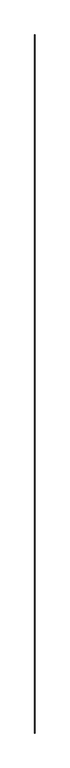
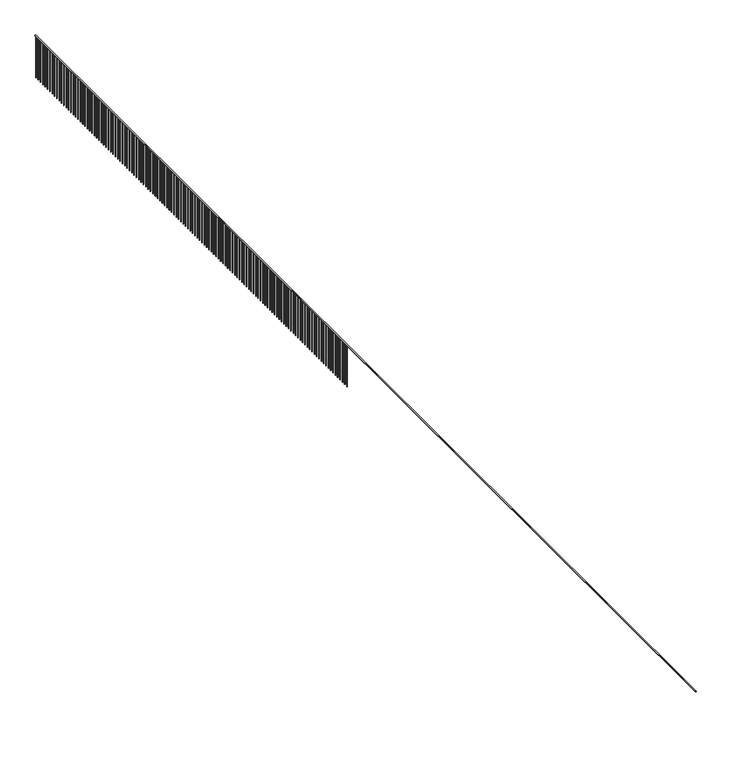
"""IFC4 building model written with IfcOpenShell, lengths in millimetres: railing geometry."""

from ifc_helpers import new_model, si_unit, frame, origin, place, context, project, spatial, polyline, outline, extrude, source, transform, mapped, element, save


def railing_4c195561(model_context):
    return source(origin(), model_context, "Body", "SweptSolid", [
        extrude(outline(polyline([(-42004.7544917, -10694.8763614), (-42054.7544917, -10694.8763614), (-42054.7544917, 66931.6015011), (-42004.7544917, 66931.6015011), (-42004.7544917, -10694.8763614)])), frame((0.0, 0.0, 4850.0), z_axis=(0.0, 0.0, 1.0), x_axis=(1.0, 0.0, 0.0)), (0.0, 0.0, 1.0), 50.0),
        extrude(outline(polyline([(-42017.2544917, 66842.6236386), (-42042.2544917, 66842.6236386), (-42042.2544917, 66867.6236386), (-42017.2544917, 66867.6236386), (-42017.2544917, 66842.6236386)])), frame((0.0, 0.0, 1900.0), z_axis=(0.0, 0.0, 1.0), x_axis=(1.0, 0.0, 0.0)), (0.0, 0.0, 1.0), 2950.0),
        extrude(outline(polyline([(-42017.2544917, 66567.6236386), (-42042.2544917, 66567.6236386), (-42042.2544917, 66592.6236386), (-42017.2544917, 66592.6236386), (-42017.2544917, 66567.6236386)])), frame((0.0, 0.0, 1900.0), z_axis=(0.0, 0.0, 1.0), x_axis=(1.0, 0.0, 0.0)), (0.0, 0.0, 1.0), 2950.0),
        extrude(outline(polyline([(-42017.2544917, 66292.6236386), (-42042.2544917, 66292.6236386), (-42042.2544917, 66317.6236386), (-42017.2544917, 66317.6236386), (-42017.2544917, 66292.6236386)])), frame((0.0, 0.0, 1900.0), z_axis=(0.0, 0.0, 1.0), x_axis=(1.0, 0.0, 0.0)), (0.0, 0.0, 1.0), 2950.0),
        extrude(outline(polyline([(-42017.2544917, 66017.6236386), (-42042.2544917, 66017.6236386), (-42042.2544917, 66042.6236386), (-42017.2544917, 66042.6236386), (-42017.2544917, 66017.6236386)])), frame((0.0, 0.0, 1900.0), z_axis=(0.0, 0.0, 1.0), x_axis=(1.0, 0.0, 0.0)), (0.0, 0.0, 1.0), 2950.0),
        extrude(outline(polyline([(-42017.2544917, 65742.6236386), (-42042.2544917, 65742.6236386), (-42042.2544917, 65767.6236386), (-42017.2544917, 65767.6236386), (-42017.2544917, 65742.6236386)])), frame((0.0, 0.0, 1900.0), z_axis=(0.0, 0.0, 1.0), x_axis=(1.0, 0.0, 0.0)), (0.0, 0.0, 1.0), 2950.0),
        extrude(outline(polyline([(-42017.2544917, 65467.6236386), (-42042.2544917, 65467.6236386), (-42042.2544917, 65492.6236386), (-42017.2544917, 65492.6236386), (-42017.2544917, 65467.6236386)])), frame((0.0, 0.0, 1900.0), z_axis=(0.0, 0.0, 1.0), x_axis=(1.0, 0.0, 0.0)), (0.0, 0.0, 1.0), 2950.0),
        extrude(outline(polyline([(-42017.2544917, 65192.6236386), (-42042.2544917, 65192.6236386), (-42042.2544917, 65217.6236386), (-42017.2544917, 65217.6236386), (-42017.2544917, 65192.6236386)])), frame((0.0, 0.0, 1900.0), z_axis=(0.0, 0.0, 1.0), x_axis=(1.0, 0.0, 0.0)), (0.0, 0.0, 1.0), 2950.0),
        extrude(outline(polyline([(-42017.2544917, 64917.6236386), (-42042.2544917, 64917.6236386), (-42042.2544917, 64942.6236386), (-42017.2544917, 64942.6236386), (-42017.2544917, 64917.6236386)])), frame((0.0, 0.0, 1900.0), z_axis=(0.0, 0.0, 1.0), x_axis=(1.0, 0.0, 0.0)), (0.0, 0.0, 1.0), 2950.0),
        extrude(outline(polyline([(-42017.2544917, 64642.6236386), (-42042.2544917, 64642.6236386), (-42042.2544917, 64667.6236386), (-42017.2544917, 64667.6236386), (-42017.2544917, 64642.6236386)])), frame((0.0, 0.0, 1900.0), z_axis=(0.0, 0.0, 1.0), x_axis=(1.0, 0.0, 0.0)), (0.0, 0.0, 1.0), 2950.0),
        extrude(outline(polyline([(-42017.2544917, 64367.6236386), (-42042.2544917, 64367.6236386), (-42042.2544917, 64392.6236386), (-42017.2544917, 64392.6236386), (-42017.2544917, 64367.6236386)])), frame((0.0, 0.0, 1900.0), z_axis=(0.0, 0.0, 1.0), x_axis=(1.0, 0.0, 0.0)), (0.0, 0.0, 1.0), 2950.0),
        extrude(outline(polyline([(-42017.2544917, 64092.6236386), (-42042.2544917, 64092.6236386), (-42042.2544917, 64117.6236386), (-42017.2544917, 64117.6236386), (-42017.2544917, 64092.6236386)])), frame((0.0, 0.0, 1900.0), z_axis=(0.0, 0.0, 1.0), x_axis=(1.0, 0.0, 0.0)), (0.0, 0.0, 1.0), 2950.0),
        extrude(outline(polyline([(-42017.2544917, 63817.6236386), (-42042.2544917, 63817.6236386), (-42042.2544917, 63842.6236386), (-42017.2544917, 63842.6236386), (-42017.2544917, 63817.6236386)])), frame((0.0, 0.0, 1900.0), z_axis=(0.0, 0.0, 1.0), x_axis=(1.0, 0.0, 0.0)), (0.0, 0.0, 1.0), 2950.0),
        extrude(outline(polyline([(-42017.2544917, 63542.6236386), (-42042.2544917, 63542.6236386), (-42042.2544917, 63567.6236386), (-42017.2544917, 63567.6236386), (-42017.2544917, 63542.6236386)])), frame((0.0, 0.0, 1900.0), z_axis=(0.0, 0.0, 1.0), x_axis=(1.0, 0.0, 0.0)), (0.0, 0.0, 1.0), 2950.0),
        extrude(outline(polyline([(-42017.2544917, 63267.6236386), (-42042.2544917, 63267.6236386), (-42042.2544917, 63292.6236386), (-42017.2544917, 63292.6236386), (-42017.2544917, 63267.6236386)])), frame((0.0, 0.0, 1900.0), z_axis=(0.0, 0.0, 1.0), x_axis=(1.0, 0.0, 0.0)), (0.0, 0.0, 1.0), 2950.0),
        extrude(outline(polyline([(-42017.2544917, 62992.6236386), (-42042.2544917, 62992.6236386), (-42042.2544917, 63017.6236386), (-42017.2544917, 63017.6236386), (-42017.2544917, 62992.6236386)])), frame((0.0, 0.0, 1900.0), z_axis=(0.0, 0.0, 1.0), x_axis=(1.0, 0.0, 0.0)), (0.0, 0.0, 1.0), 2950.0),
        extrude(outline(polyline([(-42017.2544917, 62717.6236386), (-42042.2544917, 62717.6236386), (-42042.2544917, 62742.6236386), (-42017.2544917, 62742.6236386), (-42017.2544917, 62717.6236386)])), frame((0.0, 0.0, 1900.0), z_axis=(0.0, 0.0, 1.0), x_axis=(1.0, 0.0, 0.0)), (0.0, 0.0, 1.0), 2950.0),
        extrude(outline(polyline([(-42017.2544917, 62442.6236386), (-42042.2544917, 62442.6236386), (-42042.2544917, 62467.6236386), (-42017.2544917, 62467.6236386), (-42017.2544917, 62442.6236386)])), frame((0.0, 0.0, 1900.0), z_axis=(0.0, 0.0, 1.0), x_axis=(1.0, 0.0, 0.0)), (0.0, 0.0, 1.0), 2950.0),
        extrude(outline(polyline([(-42017.2544917, 62167.6236386), (-42042.2544917, 62167.6236386), (-42042.2544917, 62192.6236386), (-42017.2544917, 62192.6236386), (-42017.2544917, 62167.6236386)])), frame((0.0, 0.0, 1900.0), z_axis=(0.0, 0.0, 1.0), x_axis=(1.0, 0.0, 0.0)), (0.0, 0.0, 1.0), 2950.0),
        extrude(outline(polyline([(-42017.2544917, 61892.6236386), (-42042.2544917, 61892.6236386), (-42042.2544917, 61917.6236386), (-42017.2544917, 61917.6236386), (-42017.2544917, 61892.6236386)])), frame((0.0, 0.0, 1900.0), z_axis=(0.0, 0.0, 1.0), x_axis=(1.0, 0.0, 0.0)), (0.0, 0.0, 1.0), 2950.0),
        extrude(outline(polyline([(-42017.2544917, 61617.6236386), (-42042.2544917, 61617.6236386), (-42042.2544917, 61642.6236386), (-42017.2544917, 61642.6236386), (-42017.2544917, 61617.6236386)])), frame((0.0, 0.0, 1900.0), z_axis=(0.0, 0.0, 1.0), x_axis=(1.0, 0.0, 0.0)), (0.0, 0.0, 1.0), 2950.0),
        extrude(outline(polyline([(-42017.2544917, 61342.6236386), (-42042.2544917, 61342.6236386), (-42042.2544917, 61367.6236386), (-42017.2544917, 61367.6236386), (-42017.2544917, 61342.6236386)])), frame((0.0, 0.0, 1900.0), z_axis=(0.0, 0.0, 1.0), x_axis=(1.0, 0.0, 0.0)), (0.0, 0.0, 1.0), 2950.0),
        extrude(outline(polyline([(-42017.2544917, 61067.6236386), (-42042.2544917, 61067.6236386), (-42042.2544917, 61092.6236386), (-42017.2544917, 61092.6236386), (-42017.2544917, 61067.6236386)])), frame((0.0, 0.0, 1900.0), z_axis=(0.0, 0.0, 1.0), x_axis=(1.0, 0.0, 0.0)), (0.0, 0.0, 1.0), 2950.0),
        extrude(outline(polyline([(-42017.2544917, 60792.6236386), (-42042.2544917, 60792.6236386), (-42042.2544917, 60817.6236386), (-42017.2544917, 60817.6236386), (-42017.2544917, 60792.6236386)])), frame((0.0, 0.0, 1900.0), z_axis=(0.0, 0.0, 1.0), x_axis=(1.0, 0.0, 0.0)), (0.0, 0.0, 1.0), 2950.0),
        extrude(outline(polyline([(-42017.2544917, 60517.6236386), (-42042.2544917, 60517.6236386), (-42042.2544917, 60542.6236386), (-42017.2544917, 60542.6236386), (-42017.2544917, 60517.6236386)])), frame((0.0, 0.0, 1900.0), z_axis=(0.0, 0.0, 1.0), x_axis=(1.0, 0.0, 0.0)), (0.0, 0.0, 1.0), 2950.0),
        extrude(outline(polyline([(-42017.2544917, 60242.6236386), (-42042.2544917, 60242.6236386), (-42042.2544917, 60267.6236386), (-42017.2544917, 60267.6236386), (-42017.2544917, 60242.6236386)])), frame((0.0, 0.0, 1900.0), z_axis=(0.0, 0.0, 1.0), x_axis=(1.0, 0.0, 0.0)), (0.0, 0.0, 1.0), 2950.0),
        extrude(outline(polyline([(-42017.2544917, 59967.6236386), (-42042.2544917, 59967.6236386), (-42042.2544917, 59992.6236386), (-42017.2544917, 59992.6236386), (-42017.2544917, 59967.6236386)])), frame((0.0, 0.0, 1900.0), z_axis=(0.0, 0.0, 1.0), x_axis=(1.0, 0.0, 0.0)), (0.0, 0.0, 1.0), 2950.0),
        extrude(outline(polyline([(-42017.2544917, 59692.6236386), (-42042.2544917, 59692.6236386), (-42042.2544917, 59717.6236386), (-42017.2544917, 59717.6236386), (-42017.2544917, 59692.6236386)])), frame((0.0, 0.0, 1900.0), z_axis=(0.0, 0.0, 1.0), x_axis=(1.0, 0.0, 0.0)), (0.0, 0.0, 1.0), 2950.0),
        extrude(outline(polyline([(-42017.2544917, 59417.6236386), (-42042.2544917, 59417.6236386), (-42042.2544917, 59442.6236386), (-42017.2544917, 59442.6236386), (-42017.2544917, 59417.6236386)])), frame((0.0, 0.0, 1900.0), z_axis=(0.0, 0.0, 1.0), x_axis=(1.0, 0.0, 0.0)), (0.0, 0.0, 1.0), 2950.0),
        extrude(outline(polyline([(-42017.2544917, 59142.6236386), (-42042.2544917, 59142.6236386), (-42042.2544917, 59167.6236386), (-42017.2544917, 59167.6236386), (-42017.2544917, 59142.6236386)])), frame((0.0, 0.0, 1900.0), z_axis=(0.0, 0.0, 1.0), x_axis=(1.0, 0.0, 0.0)), (0.0, 0.0, 1.0), 2950.0),
        extrude(outline(polyline([(-42017.2544917, 58867.6236386), (-42042.2544917, 58867.6236386), (-42042.2544917, 58892.6236386), (-42017.2544917, 58892.6236386), (-42017.2544917, 58867.6236386)])), frame((0.0, 0.0, 1900.0), z_axis=(0.0, 0.0, 1.0), x_axis=(1.0, 0.0, 0.0)), (0.0, 0.0, 1.0), 2950.0),
        extrude(outline(polyline([(-42017.2544917, 58592.6236386), (-42042.2544917, 58592.6236386), (-42042.2544917, 58617.6236386), (-42017.2544917, 58617.6236386), (-42017.2544917, 58592.6236386)])), frame((0.0, 0.0, 1900.0), z_axis=(0.0, 0.0, 1.0), x_axis=(1.0, 0.0, 0.0)), (0.0, 0.0, 1.0), 2950.0),
        extrude(outline(polyline([(-42017.2544917, 58317.6236386), (-42042.2544917, 58317.6236386), (-42042.2544917, 58342.6236386), (-42017.2544917, 58342.6236386), (-42017.2544917, 58317.6236386)])), frame((0.0, 0.0, 1900.0), z_axis=(0.0, 0.0, 1.0), x_axis=(1.0, 0.0, 0.0)), (0.0, 0.0, 1.0), 2950.0),
        extrude(outline(polyline([(-42017.2544917, 58042.6236386), (-42042.2544917, 58042.6236386), (-42042.2544917, 58067.6236386), (-42017.2544917, 58067.6236386), (-42017.2544917, 58042.6236386)])), frame((0.0, 0.0, 1900.0), z_axis=(0.0, 0.0, 1.0), x_axis=(1.0, 0.0, 0.0)), (0.0, 0.0, 1.0), 2950.0),
        extrude(outline(polyline([(-42017.2544917, 57767.6236386), (-42042.2544917, 57767.6236386), (-42042.2544917, 57792.6236386), (-42017.2544917, 57792.6236386), (-42017.2544917, 57767.6236386)])), frame((0.0, 0.0, 1900.0), z_axis=(0.0, 0.0, 1.0), x_axis=(1.0, 0.0, 0.0)), (0.0, 0.0, 1.0), 2950.0),
        extrude(outline(polyline([(-42017.2544917, 57492.6236386), (-42042.2544917, 57492.6236386), (-42042.2544917, 57517.6236386), (-42017.2544917, 57517.6236386), (-42017.2544917, 57492.6236386)])), frame((0.0, 0.0, 1900.0), z_axis=(0.0, 0.0, 1.0), x_axis=(1.0, 0.0, 0.0)), (0.0, 0.0, 1.0), 2950.0),
        extrude(outline(polyline([(-42017.2544917, 57217.6236386), (-42042.2544917, 57217.6236386), (-42042.2544917, 57242.6236386), (-42017.2544917, 57242.6236386), (-42017.2544917, 57217.6236386)])), frame((0.0, 0.0, 1900.0), z_axis=(0.0, 0.0, 1.0), x_axis=(1.0, 0.0, 0.0)), (0.0, 0.0, 1.0), 2950.0),
        extrude(outline(polyline([(-42017.2544917, 56942.6236386), (-42042.2544917, 56942.6236386), (-42042.2544917, 56967.6236386), (-42017.2544917, 56967.6236386), (-42017.2544917, 56942.6236386)])), frame((0.0, 0.0, 1900.0), z_axis=(0.0, 0.0, 1.0), x_axis=(1.0, 0.0, 0.0)), (0.0, 0.0, 1.0), 2950.0),
        extrude(outline(polyline([(-42017.2544917, 56667.6236386), (-42042.2544917, 56667.6236386), (-42042.2544917, 56692.6236386), (-42017.2544917, 56692.6236386), (-42017.2544917, 56667.6236386)])), frame((0.0, 0.0, 1900.0), z_axis=(0.0, 0.0, 1.0), x_axis=(1.0, 0.0, 0.0)), (0.0, 0.0, 1.0), 2950.0),
        extrude(outline(polyline([(-42017.2544917, 56392.6236386), (-42042.2544917, 56392.6236386), (-42042.2544917, 56417.6236386), (-42017.2544917, 56417.6236386), (-42017.2544917, 56392.6236386)])), frame((0.0, 0.0, 1900.0), z_axis=(0.0, 0.0, 1.0), x_axis=(1.0, 0.0, 0.0)), (0.0, 0.0, 1.0), 2950.0),
        extrude(outline(polyline([(-42017.2544917, 56117.6236386), (-42042.2544917, 56117.6236386), (-42042.2544917, 56142.6236386), (-42017.2544917, 56142.6236386), (-42017.2544917, 56117.6236386)])), frame((0.0, 0.0, 1900.0), z_axis=(0.0, 0.0, 1.0), x_axis=(1.0, 0.0, 0.0)), (0.0, 0.0, 1.0), 2950.0),
        extrude(outline(polyline([(-42017.2544917, 55842.6236386), (-42042.2544917, 55842.6236386), (-42042.2544917, 55867.6236386), (-42017.2544917, 55867.6236386), (-42017.2544917, 55842.6236386)])), frame((0.0, 0.0, 1900.0), z_axis=(0.0, 0.0, 1.0), x_axis=(1.0, 0.0, 0.0)), (0.0, 0.0, 1.0), 2950.0),
        extrude(outline(polyline([(-42017.2544917, 55567.6236386), (-42042.2544917, 55567.6236386), (-42042.2544917, 55592.6236386), (-42017.2544917, 55592.6236386), (-42017.2544917, 55567.6236386)])), frame((0.0, 0.0, 1900.0), z_axis=(0.0, 0.0, 1.0), x_axis=(1.0, 0.0, 0.0)), (0.0, 0.0, 1.0), 2950.0),
        extrude(outline(polyline([(-42017.2544917, 55292.6236386), (-42042.2544917, 55292.6236386), (-42042.2544917, 55317.6236386), (-42017.2544917, 55317.6236386), (-42017.2544917, 55292.6236386)])), frame((0.0, 0.0, 1900.0), z_axis=(0.0, 0.0, 1.0), x_axis=(1.0, 0.0, 0.0)), (0.0, 0.0, 1.0), 2950.0),
        extrude(outline(polyline([(-42017.2544917, 55017.6236386), (-42042.2544917, 55017.6236386), (-42042.2544917, 55042.6236386), (-42017.2544917, 55042.6236386), (-42017.2544917, 55017.6236386)])), frame((0.0, 0.0, 1900.0), z_axis=(0.0, 0.0, 1.0), x_axis=(1.0, 0.0, 0.0)), (0.0, 0.0, 1.0), 2950.0),
        extrude(outline(polyline([(-42017.2544917, 54742.6236386), (-42042.2544917, 54742.6236386), (-42042.2544917, 54767.6236386), (-42017.2544917, 54767.6236386), (-42017.2544917, 54742.6236386)])), frame((0.0, 0.0, 1900.0), z_axis=(0.0, 0.0, 1.0), x_axis=(1.0, 0.0, 0.0)), (0.0, 0.0, 1.0), 2950.0),
        extrude(outline(polyline([(-42017.2544917, 54467.6236386), (-42042.2544917, 54467.6236386), (-42042.2544917, 54492.6236386), (-42017.2544917, 54492.6236386), (-42017.2544917, 54467.6236386)])), frame((0.0, 0.0, 1900.0), z_axis=(0.0, 0.0, 1.0), x_axis=(1.0, 0.0, 0.0)), (0.0, 0.0, 1.0), 2950.0),
        extrude(outline(polyline([(-42017.2544917, 54192.6236386), (-42042.2544917, 54192.6236386), (-42042.2544917, 54217.6236386), (-42017.2544917, 54217.6236386), (-42017.2544917, 54192.6236386)])), frame((0.0, 0.0, 1900.0), z_axis=(0.0, 0.0, 1.0), x_axis=(1.0, 0.0, 0.0)), (0.0, 0.0, 1.0), 2950.0),
        extrude(outline(polyline([(-42017.2544917, 53917.6236386), (-42042.2544917, 53917.6236386), (-42042.2544917, 53942.6236386), (-42017.2544917, 53942.6236386), (-42017.2544917, 53917.6236386)])), frame((0.0, 0.0, 1900.0), z_axis=(0.0, 0.0, 1.0), x_axis=(1.0, 0.0, 0.0)), (0.0, 0.0, 1.0), 2950.0),
        extrude(outline(polyline([(-42017.2544917, 53642.6236386), (-42042.2544917, 53642.6236386), (-42042.2544917, 53667.6236386), (-42017.2544917, 53667.6236386), (-42017.2544917, 53642.6236386)])), frame((0.0, 0.0, 1900.0), z_axis=(0.0, 0.0, 1.0), x_axis=(1.0, 0.0, 0.0)), (0.0, 0.0, 1.0), 2950.0),
        extrude(outline(polyline([(-42017.2544917, 53367.6236386), (-42042.2544917, 53367.6236386), (-42042.2544917, 53392.6236386), (-42017.2544917, 53392.6236386), (-42017.2544917, 53367.6236386)])), frame((0.0, 0.0, 1900.0), z_axis=(0.0, 0.0, 1.0), x_axis=(1.0, 0.0, 0.0)), (0.0, 0.0, 1.0), 2950.0),
        extrude(outline(polyline([(-42017.2544917, 53092.6236386), (-42042.2544917, 53092.6236386), (-42042.2544917, 53117.6236386), (-42017.2544917, 53117.6236386), (-42017.2544917, 53092.6236386)])), frame((0.0, 0.0, 1900.0), z_axis=(0.0, 0.0, 1.0), x_axis=(1.0, 0.0, 0.0)), (0.0, 0.0, 1.0), 2950.0),
        extrude(outline(polyline([(-42017.2544917, 52817.6236386), (-42042.2544917, 52817.6236386), (-42042.2544917, 52842.6236386), (-42017.2544917, 52842.6236386), (-42017.2544917, 52817.6236386)])), frame((0.0, 0.0, 1900.0), z_axis=(0.0, 0.0, 1.0), x_axis=(1.0, 0.0, 0.0)), (0.0, 0.0, 1.0), 2950.0),
        extrude(outline(polyline([(-42017.2544917, 52542.6236386), (-42042.2544917, 52542.6236386), (-42042.2544917, 52567.6236386), (-42017.2544917, 52567.6236386), (-42017.2544917, 52542.6236386)])), frame((0.0, 0.0, 1900.0), z_axis=(0.0, 0.0, 1.0), x_axis=(1.0, 0.0, 0.0)), (0.0, 0.0, 1.0), 2950.0),
        extrude(outline(polyline([(-42017.2544917, 52267.6236386), (-42042.2544917, 52267.6236386), (-42042.2544917, 52292.6236386), (-42017.2544917, 52292.6236386), (-42017.2544917, 52267.6236386)])), frame((0.0, 0.0, 1900.0), z_axis=(0.0, 0.0, 1.0), x_axis=(1.0, 0.0, 0.0)), (0.0, 0.0, 1.0), 2950.0),
        extrude(outline(polyline([(-42017.2544917, 51992.6236386), (-42042.2544917, 51992.6236386), (-42042.2544917, 52017.6236386), (-42017.2544917, 52017.6236386), (-42017.2544917, 51992.6236386)])), frame((0.0, 0.0, 1900.0), z_axis=(0.0, 0.0, 1.0), x_axis=(1.0, 0.0, 0.0)), (0.0, 0.0, 1.0), 2950.0),
        extrude(outline(polyline([(-42017.2544917, 51717.6236386), (-42042.2544917, 51717.6236386), (-42042.2544917, 51742.6236386), (-42017.2544917, 51742.6236386), (-42017.2544917, 51717.6236386)])), frame((0.0, 0.0, 1900.0), z_axis=(0.0, 0.0, 1.0), x_axis=(1.0, 0.0, 0.0)), (0.0, 0.0, 1.0), 2950.0),
        extrude(outline(polyline([(-42017.2544917, 51442.6236386), (-42042.2544917, 51442.6236386), (-42042.2544917, 51467.6236386), (-42017.2544917, 51467.6236386), (-42017.2544917, 51442.6236386)])), frame((0.0, 0.0, 1900.0), z_axis=(0.0, 0.0, 1.0), x_axis=(1.0, 0.0, 0.0)), (0.0, 0.0, 1.0), 2950.0),
        extrude(outline(polyline([(-42017.2544917, 51167.6236386), (-42042.2544917, 51167.6236386), (-42042.2544917, 51192.6236386), (-42017.2544917, 51192.6236386), (-42017.2544917, 51167.6236386)])), frame((0.0, 0.0, 1900.0), z_axis=(0.0, 0.0, 1.0), x_axis=(1.0, 0.0, 0.0)), (0.0, 0.0, 1.0), 2950.0),
        extrude(outline(polyline([(-42017.2544917, 50892.6236386), (-42042.2544917, 50892.6236386), (-42042.2544917, 50917.6236386), (-42017.2544917, 50917.6236386), (-42017.2544917, 50892.6236386)])), frame((0.0, 0.0, 1900.0), z_axis=(0.0, 0.0, 1.0), x_axis=(1.0, 0.0, 0.0)), (0.0, 0.0, 1.0), 2950.0),
        extrude(outline(polyline([(-42017.2544917, 50617.6236386), (-42042.2544917, 50617.6236386), (-42042.2544917, 50642.6236386), (-42017.2544917, 50642.6236386), (-42017.2544917, 50617.6236386)])), frame((0.0, 0.0, 1900.0), z_axis=(0.0, 0.0, 1.0), x_axis=(1.0, 0.0, 0.0)), (0.0, 0.0, 1.0), 2950.0),
        extrude(outline(polyline([(-42017.2544917, 50342.6236386), (-42042.2544917, 50342.6236386), (-42042.2544917, 50367.6236386), (-42017.2544917, 50367.6236386), (-42017.2544917, 50342.6236386)])), frame((0.0, 0.0, 1900.0), z_axis=(0.0, 0.0, 1.0), x_axis=(1.0, 0.0, 0.0)), (0.0, 0.0, 1.0), 2950.0),
        extrude(outline(polyline([(-42017.2544917, 50067.6236386), (-42042.2544917, 50067.6236386), (-42042.2544917, 50092.6236386), (-42017.2544917, 50092.6236386), (-42017.2544917, 50067.6236386)])), frame((0.0, 0.0, 1900.0), z_axis=(0.0, 0.0, 1.0), x_axis=(1.0, 0.0, 0.0)), (0.0, 0.0, 1.0), 2950.0),
        extrude(outline(polyline([(-42017.2544917, 49792.6236386), (-42042.2544917, 49792.6236386), (-42042.2544917, 49817.6236386), (-42017.2544917, 49817.6236386), (-42017.2544917, 49792.6236386)])), frame((0.0, 0.0, 1900.0), z_axis=(0.0, 0.0, 1.0), x_axis=(1.0, 0.0, 0.0)), (0.0, 0.0, 1.0), 2950.0),
        extrude(outline(polyline([(-42017.2544917, 49517.6236386), (-42042.2544917, 49517.6236386), (-42042.2544917, 49542.6236386), (-42017.2544917, 49542.6236386), (-42017.2544917, 49517.6236386)])), frame((0.0, 0.0, 1900.0), z_axis=(0.0, 0.0, 1.0), x_axis=(1.0, 0.0, 0.0)), (0.0, 0.0, 1.0), 2950.0),
        extrude(outline(polyline([(-42017.2544917, 49242.6236386), (-42042.2544917, 49242.6236386), (-42042.2544917, 49267.6236386), (-42017.2544917, 49267.6236386), (-42017.2544917, 49242.6236386)])), frame((0.0, 0.0, 1900.0), z_axis=(0.0, 0.0, 1.0), x_axis=(1.0, 0.0, 0.0)), (0.0, 0.0, 1.0), 2950.0),
        extrude(outline(polyline([(-42017.2544917, 48967.6236386), (-42042.2544917, 48967.6236386), (-42042.2544917, 48992.6236386), (-42017.2544917, 48992.6236386), (-42017.2544917, 48967.6236386)])), frame((0.0, 0.0, 1900.0), z_axis=(0.0, 0.0, 1.0), x_axis=(1.0, 0.0, 0.0)), (0.0, 0.0, 1.0), 2950.0),
        extrude(outline(polyline([(-42017.2544917, 48692.6236386), (-42042.2544917, 48692.6236386), (-42042.2544917, 48717.6236386), (-42017.2544917, 48717.6236386), (-42017.2544917, 48692.6236386)])), frame((0.0, 0.0, 1900.0), z_axis=(0.0, 0.0, 1.0), x_axis=(1.0, 0.0, 0.0)), (0.0, 0.0, 1.0), 2950.0),
        extrude(outline(polyline([(-42017.2544917, 48417.6236386), (-42042.2544917, 48417.6236386), (-42042.2544917, 48442.6236386), (-42017.2544917, 48442.6236386), (-42017.2544917, 48417.6236386)])), frame((0.0, 0.0, 1900.0), z_axis=(0.0, 0.0, 1.0), x_axis=(1.0, 0.0, 0.0)), (0.0, 0.0, 1.0), 2950.0),
        extrude(outline(polyline([(-42017.2544917, 48142.6236386), (-42042.2544917, 48142.6236386), (-42042.2544917, 48167.6236386), (-42017.2544917, 48167.6236386), (-42017.2544917, 48142.6236386)])), frame((0.0, 0.0, 1900.0), z_axis=(0.0, 0.0, 1.0), x_axis=(1.0, 0.0, 0.0)), (0.0, 0.0, 1.0), 2950.0),
        extrude(outline(polyline([(-42017.2544917, 47867.6236386), (-42042.2544917, 47867.6236386), (-42042.2544917, 47892.6236386), (-42017.2544917, 47892.6236386), (-42017.2544917, 47867.6236386)])), frame((0.0, 0.0, 1900.0), z_axis=(0.0, 0.0, 1.0), x_axis=(1.0, 0.0, 0.0)), (0.0, 0.0, 1.0), 2950.0),
        extrude(outline(polyline([(-42017.2544917, 47592.6236386), (-42042.2544917, 47592.6236386), (-42042.2544917, 47617.6236386), (-42017.2544917, 47617.6236386), (-42017.2544917, 47592.6236386)])), frame((0.0, 0.0, 1900.0), z_axis=(0.0, 0.0, 1.0), x_axis=(1.0, 0.0, 0.0)), (0.0, 0.0, 1.0), 2950.0),
        extrude(outline(polyline([(-42017.2544917, 47317.6236386), (-42042.2544917, 47317.6236386), (-42042.2544917, 47342.6236386), (-42017.2544917, 47342.6236386), (-42017.2544917, 47317.6236386)])), frame((0.0, 0.0, 1900.0), z_axis=(0.0, 0.0, 1.0), x_axis=(1.0, 0.0, 0.0)), (0.0, 0.0, 1.0), 2950.0),
        extrude(outline(polyline([(-42017.2544917, 47042.6236386), (-42042.2544917, 47042.6236386), (-42042.2544917, 47067.6236386), (-42017.2544917, 47067.6236386), (-42017.2544917, 47042.6236386)])), frame((0.0, 0.0, 1900.0), z_axis=(0.0, 0.0, 1.0), x_axis=(1.0, 0.0, 0.0)), (0.0, 0.0, 1.0), 2950.0),
        extrude(outline(polyline([(-42017.2544917, 46767.6236386), (-42042.2544917, 46767.6236386), (-42042.2544917, 46792.6236386), (-42017.2544917, 46792.6236386), (-42017.2544917, 46767.6236386)])), frame((0.0, 0.0, 1900.0), z_axis=(0.0, 0.0, 1.0), x_axis=(1.0, 0.0, 0.0)), (0.0, 0.0, 1.0), 2950.0),
        extrude(outline(polyline([(-42017.2544917, 46492.6236386), (-42042.2544917, 46492.6236386), (-42042.2544917, 46517.6236386), (-42017.2544917, 46517.6236386), (-42017.2544917, 46492.6236386)])), frame((0.0, 0.0, 1900.0), z_axis=(0.0, 0.0, 1.0), x_axis=(1.0, 0.0, 0.0)), (0.0, 0.0, 1.0), 2950.0),
        extrude(outline(polyline([(-42017.2544917, 46217.6236386), (-42042.2544917, 46217.6236386), (-42042.2544917, 46242.6236386), (-42017.2544917, 46242.6236386), (-42017.2544917, 46217.6236386)])), frame((0.0, 0.0, 1900.0), z_axis=(0.0, 0.0, 1.0), x_axis=(1.0, 0.0, 0.0)), (0.0, 0.0, 1.0), 2950.0),
        extrude(outline(polyline([(-42017.2544917, 45942.6236386), (-42042.2544917, 45942.6236386), (-42042.2544917, 45967.6236386), (-42017.2544917, 45967.6236386), (-42017.2544917, 45942.6236386)])), frame((0.0, 0.0, 1900.0), z_axis=(0.0, 0.0, 1.0), x_axis=(1.0, 0.0, 0.0)), (0.0, 0.0, 1.0), 2950.0),
        extrude(outline(polyline([(-42017.2544917, 45667.6236386), (-42042.2544917, 45667.6236386), (-42042.2544917, 45692.6236386), (-42017.2544917, 45692.6236386), (-42017.2544917, 45667.6236386)])), frame((0.0, 0.0, 1900.0), z_axis=(0.0, 0.0, 1.0), x_axis=(1.0, 0.0, 0.0)), (0.0, 0.0, 1.0), 2950.0),
        extrude(outline(polyline([(-42017.2544917, 45392.6236386), (-42042.2544917, 45392.6236386), (-42042.2544917, 45417.6236386), (-42017.2544917, 45417.6236386), (-42017.2544917, 45392.6236386)])), frame((0.0, 0.0, 1900.0), z_axis=(0.0, 0.0, 1.0), x_axis=(1.0, 0.0, 0.0)), (0.0, 0.0, 1.0), 2950.0),
        extrude(outline(polyline([(-42017.2544917, 45117.6236386), (-42042.2544917, 45117.6236386), (-42042.2544917, 45142.6236386), (-42017.2544917, 45142.6236386), (-42017.2544917, 45117.6236386)])), frame((0.0, 0.0, 1900.0), z_axis=(0.0, 0.0, 1.0), x_axis=(1.0, 0.0, 0.0)), (0.0, 0.0, 1.0), 2950.0),
        extrude(outline(polyline([(-42017.2544917, 44842.6236386), (-42042.2544917, 44842.6236386), (-42042.2544917, 44867.6236386), (-42017.2544917, 44867.6236386), (-42017.2544917, 44842.6236386)])), frame((0.0, 0.0, 1900.0), z_axis=(0.0, 0.0, 1.0), x_axis=(1.0, 0.0, 0.0)), (0.0, 0.0, 1.0), 2950.0),
        extrude(outline(polyline([(-42017.2544917, 44567.6236386), (-42042.2544917, 44567.6236386), (-42042.2544917, 44592.6236386), (-42017.2544917, 44592.6236386), (-42017.2544917, 44567.6236386)])), frame((0.0, 0.0, 1900.0), z_axis=(0.0, 0.0, 1.0), x_axis=(1.0, 0.0, 0.0)), (0.0, 0.0, 1.0), 2950.0),
        extrude(outline(polyline([(-42017.2544917, 44292.6236386), (-42042.2544917, 44292.6236386), (-42042.2544917, 44317.6236386), (-42017.2544917, 44317.6236386), (-42017.2544917, 44292.6236386)])), frame((0.0, 0.0, 1900.0), z_axis=(0.0, 0.0, 1.0), x_axis=(1.0, 0.0, 0.0)), (0.0, 0.0, 1.0), 2950.0),
        extrude(outline(polyline([(-42017.2544917, 44017.6236386), (-42042.2544917, 44017.6236386), (-42042.2544917, 44042.6236386), (-42017.2544917, 44042.6236386), (-42017.2544917, 44017.6236386)])), frame((0.0, 0.0, 1900.0), z_axis=(0.0, 0.0, 1.0), x_axis=(1.0, 0.0, 0.0)), (0.0, 0.0, 1.0), 2950.0),
        extrude(outline(polyline([(-42017.2544917, 43742.6236386), (-42042.2544917, 43742.6236386), (-42042.2544917, 43767.6236386), (-42017.2544917, 43767.6236386), (-42017.2544917, 43742.6236386)])), frame((0.0, 0.0, 1900.0), z_axis=(0.0, 0.0, 1.0), x_axis=(1.0, 0.0, 0.0)), (0.0, 0.0, 1.0), 2950.0),
        extrude(outline(polyline([(-42017.2544917, 43467.6236386), (-42042.2544917, 43467.6236386), (-42042.2544917, 43492.6236386), (-42017.2544917, 43492.6236386), (-42017.2544917, 43467.6236386)])), frame((0.0, 0.0, 1900.0), z_axis=(0.0, 0.0, 1.0), x_axis=(1.0, 0.0, 0.0)), (0.0, 0.0, 1.0), 2950.0),
        extrude(outline(polyline([(-42017.2544917, 43192.6236386), (-42042.2544917, 43192.6236386), (-42042.2544917, 43217.6236386), (-42017.2544917, 43217.6236386), (-42017.2544917, 43192.6236386)])), frame((0.0, 0.0, 1900.0), z_axis=(0.0, 0.0, 1.0), x_axis=(1.0, 0.0, 0.0)), (0.0, 0.0, 1.0), 2950.0),
        extrude(outline(polyline([(-42017.2544917, 42917.6236386), (-42042.2544917, 42917.6236386), (-42042.2544917, 42942.6236386), (-42017.2544917, 42942.6236386), (-42017.2544917, 42917.6236386)])), frame((0.0, 0.0, 1900.0), z_axis=(0.0, 0.0, 1.0), x_axis=(1.0, 0.0, 0.0)), (0.0, 0.0, 1.0), 2950.0),
        extrude(outline(polyline([(-42017.2544917, 42642.6236386), (-42042.2544917, 42642.6236386), (-42042.2544917, 42667.6236386), (-42017.2544917, 42667.6236386), (-42017.2544917, 42642.6236386)])), frame((0.0, 0.0, 1900.0), z_axis=(0.0, 0.0, 1.0), x_axis=(1.0, 0.0, 0.0)), (0.0, 0.0, 1.0), 2950.0),
        extrude(outline(polyline([(-42017.2544917, 42367.6236386), (-42042.2544917, 42367.6236386), (-42042.2544917, 42392.6236386), (-42017.2544917, 42392.6236386), (-42017.2544917, 42367.6236386)])), frame((0.0, 0.0, 1900.0), z_axis=(0.0, 0.0, 1.0), x_axis=(1.0, 0.0, 0.0)), (0.0, 0.0, 1.0), 2950.0),
        extrude(outline(polyline([(-42017.2544917, 42092.6236386), (-42042.2544917, 42092.6236386), (-42042.2544917, 42117.6236386), (-42017.2544917, 42117.6236386), (-42017.2544917, 42092.6236386)])), frame((0.0, 0.0, 1900.0), z_axis=(0.0, 0.0, 1.0), x_axis=(1.0, 0.0, 0.0)), (0.0, 0.0, 1.0), 2950.0),
        extrude(outline(polyline([(-42017.2544917, 41817.6236386), (-42042.2544917, 41817.6236386), (-42042.2544917, 41842.6236386), (-42017.2544917, 41842.6236386), (-42017.2544917, 41817.6236386)])), frame((0.0, 0.0, 1900.0), z_axis=(0.0, 0.0, 1.0), x_axis=(1.0, 0.0, 0.0)), (0.0, 0.0, 1.0), 2950.0),
        extrude(outline(polyline([(-42017.2544917, 41542.6236386), (-42042.2544917, 41542.6236386), (-42042.2544917, 41567.6236386), (-42017.2544917, 41567.6236386), (-42017.2544917, 41542.6236386)])), frame((0.0, 0.0, 1900.0), z_axis=(0.0, 0.0, 1.0), x_axis=(1.0, 0.0, 0.0)), (0.0, 0.0, 1.0), 2950.0),
        extrude(outline(polyline([(-42017.2544917, 41267.6236386), (-42042.2544917, 41267.6236386), (-42042.2544917, 41292.6236386), (-42017.2544917, 41292.6236386), (-42017.2544917, 41267.6236386)])), frame((0.0, 0.0, 1900.0), z_axis=(0.0, 0.0, 1.0), x_axis=(1.0, 0.0, 0.0)), (0.0, 0.0, 1.0), 2950.0),
        extrude(outline(polyline([(-42017.2544917, 40992.6236386), (-42042.2544917, 40992.6236386), (-42042.2544917, 41017.6236386), (-42017.2544917, 41017.6236386), (-42017.2544917, 40992.6236386)])), frame((0.0, 0.0, 1900.0), z_axis=(0.0, 0.0, 1.0), x_axis=(1.0, 0.0, 0.0)), (0.0, 0.0, 1.0), 2950.0),
        extrude(outline(polyline([(-42017.2544917, 40717.6236386), (-42042.2544917, 40717.6236386), (-42042.2544917, 40742.6236386), (-42017.2544917, 40742.6236386), (-42017.2544917, 40717.6236386)])), frame((0.0, 0.0, 1900.0), z_axis=(0.0, 0.0, 1.0), x_axis=(1.0, 0.0, 0.0)), (0.0, 0.0, 1.0), 2950.0),
        extrude(outline(polyline([(-42017.2544917, 40442.6236386), (-42042.2544917, 40442.6236386), (-42042.2544917, 40467.6236386), (-42017.2544917, 40467.6236386), (-42017.2544917, 40442.6236386)])), frame((0.0, 0.0, 1900.0), z_axis=(0.0, 0.0, 1.0), x_axis=(1.0, 0.0, 0.0)), (0.0, 0.0, 1.0), 2950.0),
        extrude(outline(polyline([(-42017.2544917, 40167.6236386), (-42042.2544917, 40167.6236386), (-42042.2544917, 40192.6236386), (-42017.2544917, 40192.6236386), (-42017.2544917, 40167.6236386)])), frame((0.0, 0.0, 1900.0), z_axis=(0.0, 0.0, 1.0), x_axis=(1.0, 0.0, 0.0)), (0.0, 0.0, 1.0), 2950.0),
        extrude(outline(polyline([(-42017.2544917, 39892.6236386), (-42042.2544917, 39892.6236386), (-42042.2544917, 39917.6236386), (-42017.2544917, 39917.6236386), (-42017.2544917, 39892.6236386)])), frame((0.0, 0.0, 1900.0), z_axis=(0.0, 0.0, 1.0), x_axis=(1.0, 0.0, 0.0)), (0.0, 0.0, 1.0), 2950.0),
        extrude(outline(polyline([(-42017.2544917, 39617.6236386), (-42042.2544917, 39617.6236386), (-42042.2544917, 39642.6236386), (-42017.2544917, 39642.6236386), (-42017.2544917, 39617.6236386)])), frame((0.0, 0.0, 1900.0), z_axis=(0.0, 0.0, 1.0), x_axis=(1.0, 0.0, 0.0)), (0.0, 0.0, 1.0), 2950.0),
        extrude(outline(polyline([(-42017.2544917, 39342.6236386), (-42042.2544917, 39342.6236386), (-42042.2544917, 39367.6236386), (-42017.2544917, 39367.6236386), (-42017.2544917, 39342.6236386)])), frame((0.0, 0.0, 1900.0), z_axis=(0.0, 0.0, 1.0), x_axis=(1.0, 0.0, 0.0)), (0.0, 0.0, 1.0), 2950.0),
        extrude(outline(polyline([(-42017.2544917, 39067.6236386), (-42042.2544917, 39067.6236386), (-42042.2544917, 39092.6236386), (-42017.2544917, 39092.6236386), (-42017.2544917, 39067.6236386)])), frame((0.0, 0.0, 1900.0), z_axis=(0.0, 0.0, 1.0), x_axis=(1.0, 0.0, 0.0)), (0.0, 0.0, 1.0), 2950.0),
        extrude(outline(polyline([(-42017.2544917, 38792.6236386), (-42042.2544917, 38792.6236386), (-42042.2544917, 38817.6236386), (-42017.2544917, 38817.6236386), (-42017.2544917, 38792.6236386)])), frame((0.0, 0.0, 1900.0), z_axis=(0.0, 0.0, 1.0), x_axis=(1.0, 0.0, 0.0)), (0.0, 0.0, 1.0), 2950.0),
        extrude(outline(polyline([(-42017.2544917, 38517.6236386), (-42042.2544917, 38517.6236386), (-42042.2544917, 38542.6236386), (-42017.2544917, 38542.6236386), (-42017.2544917, 38517.6236386)])), frame((0.0, 0.0, 1900.0), z_axis=(0.0, 0.0, 1.0), x_axis=(1.0, 0.0, 0.0)), (0.0, 0.0, 1.0), 2950.0),
        extrude(outline(polyline([(-42017.2544917, 38242.6236386), (-42042.2544917, 38242.6236386), (-42042.2544917, 38267.6236386), (-42017.2544917, 38267.6236386), (-42017.2544917, 38242.6236386)])), frame((0.0, 0.0, 1900.0), z_axis=(0.0, 0.0, 1.0), x_axis=(1.0, 0.0, 0.0)), (0.0, 0.0, 1.0), 2950.0),
        extrude(outline(polyline([(-42017.2544917, 37967.6236386), (-42042.2544917, 37967.6236386), (-42042.2544917, 37992.6236386), (-42017.2544917, 37992.6236386), (-42017.2544917, 37967.6236386)])), frame((0.0, 0.0, 1900.0), z_axis=(0.0, 0.0, 1.0), x_axis=(1.0, 0.0, 0.0)), (0.0, 0.0, 1.0), 2950.0),
        extrude(outline(polyline([(-42017.2544917, 37692.6236386), (-42042.2544917, 37692.6236386), (-42042.2544917, 37717.6236386), (-42017.2544917, 37717.6236386), (-42017.2544917, 37692.6236386)])), frame((0.0, 0.0, 1900.0), z_axis=(0.0, 0.0, 1.0), x_axis=(1.0, 0.0, 0.0)), (0.0, 0.0, 1.0), 2950.0),
        extrude(outline(polyline([(-42017.2544917, 37417.6236386), (-42042.2544917, 37417.6236386), (-42042.2544917, 37442.6236386), (-42017.2544917, 37442.6236386), (-42017.2544917, 37417.6236386)])), frame((0.0, 0.0, 1900.0), z_axis=(0.0, 0.0, 1.0), x_axis=(1.0, 0.0, 0.0)), (0.0, 0.0, 1.0), 2950.0),
        extrude(outline(polyline([(-42017.2544917, 37142.6236386), (-42042.2544917, 37142.6236386), (-42042.2544917, 37167.6236386), (-42017.2544917, 37167.6236386), (-42017.2544917, 37142.6236386)])), frame((0.0, 0.0, 1900.0), z_axis=(0.0, 0.0, 1.0), x_axis=(1.0, 0.0, 0.0)), (0.0, 0.0, 1.0), 2950.0),
        extrude(outline(polyline([(-42017.2544917, 36867.6236386), (-42042.2544917, 36867.6236386), (-42042.2544917, 36892.6236386), (-42017.2544917, 36892.6236386), (-42017.2544917, 36867.6236386)])), frame((0.0, 0.0, 1900.0), z_axis=(0.0, 0.0, 1.0), x_axis=(1.0, 0.0, 0.0)), (0.0, 0.0, 1.0), 2950.0),
        extrude(outline(polyline([(-42017.2544917, 36592.6236386), (-42042.2544917, 36592.6236386), (-42042.2544917, 36617.6236386), (-42017.2544917, 36617.6236386), (-42017.2544917, 36592.6236386)])), frame((0.0, 0.0, 1900.0), z_axis=(0.0, 0.0, 1.0), x_axis=(1.0, 0.0, 0.0)), (0.0, 0.0, 1.0), 2950.0),
        extrude(outline(polyline([(-42017.2544917, 36317.6236386), (-42042.2544917, 36317.6236386), (-42042.2544917, 36342.6236386), (-42017.2544917, 36342.6236386), (-42017.2544917, 36317.6236386)])), frame((0.0, 0.0, 1900.0), z_axis=(0.0, 0.0, 1.0), x_axis=(1.0, 0.0, 0.0)), (0.0, 0.0, 1.0), 2950.0),
        extrude(outline(polyline([(-42017.2544917, 36042.6236386), (-42042.2544917, 36042.6236386), (-42042.2544917, 36067.6236386), (-42017.2544917, 36067.6236386), (-42017.2544917, 36042.6236386)])), frame((0.0, 0.0, 1900.0), z_axis=(0.0, 0.0, 1.0), x_axis=(1.0, 0.0, 0.0)), (0.0, 0.0, 1.0), 2950.0),
        extrude(outline(polyline([(-42017.2544917, 35767.6236386), (-42042.2544917, 35767.6236386), (-42042.2544917, 35792.6236386), (-42017.2544917, 35792.6236386), (-42017.2544917, 35767.6236386)])), frame((0.0, 0.0, 1900.0), z_axis=(0.0, 0.0, 1.0), x_axis=(1.0, 0.0, 0.0)), (0.0, 0.0, 1.0), 2950.0),
        extrude(outline(polyline([(-42017.2544917, 35492.6236386), (-42042.2544917, 35492.6236386), (-42042.2544917, 35517.6236386), (-42017.2544917, 35517.6236386), (-42017.2544917, 35492.6236386)])), frame((0.0, 0.0, 1900.0), z_axis=(0.0, 0.0, 1.0), x_axis=(1.0, 0.0, 0.0)), (0.0, 0.0, 1.0), 2950.0),
        extrude(outline(polyline([(-42017.2544917, 35217.6236386), (-42042.2544917, 35217.6236386), (-42042.2544917, 35242.6236386), (-42017.2544917, 35242.6236386), (-42017.2544917, 35217.6236386)])), frame((0.0, 0.0, 1900.0), z_axis=(0.0, 0.0, 1.0), x_axis=(1.0, 0.0, 0.0)), (0.0, 0.0, 1.0), 2950.0),
        extrude(outline(polyline([(-42017.2544917, 34942.6236386), (-42042.2544917, 34942.6236386), (-42042.2544917, 34967.6236386), (-42017.2544917, 34967.6236386), (-42017.2544917, 34942.6236386)])), frame((0.0, 0.0, 1900.0), z_axis=(0.0, 0.0, 1.0), x_axis=(1.0, 0.0, 0.0)), (0.0, 0.0, 1.0), 2950.0),
        extrude(outline(polyline([(-42017.2544917, 34667.6236386), (-42042.2544917, 34667.6236386), (-42042.2544917, 34692.6236386), (-42017.2544917, 34692.6236386), (-42017.2544917, 34667.6236386)])), frame((0.0, 0.0, 1900.0), z_axis=(0.0, 0.0, 1.0), x_axis=(1.0, 0.0, 0.0)), (0.0, 0.0, 1.0), 2950.0),
        extrude(outline(polyline([(-42017.2544917, 34392.6236386), (-42042.2544917, 34392.6236386), (-42042.2544917, 34417.6236386), (-42017.2544917, 34417.6236386), (-42017.2544917, 34392.6236386)])), frame((0.0, 0.0, 1900.0), z_axis=(0.0, 0.0, 1.0), x_axis=(1.0, 0.0, 0.0)), (0.0, 0.0, 1.0), 2950.0),
        extrude(outline(polyline([(-42017.2544917, 34117.6236386), (-42042.2544917, 34117.6236386), (-42042.2544917, 34142.6236386), (-42017.2544917, 34142.6236386), (-42017.2544917, 34117.6236386)])), frame((0.0, 0.0, 1900.0), z_axis=(0.0, 0.0, 1.0), x_axis=(1.0, 0.0, 0.0)), (0.0, 0.0, 1.0), 2950.0),
        extrude(outline(polyline([(-42017.2544917, 33842.6236386), (-42042.2544917, 33842.6236386), (-42042.2544917, 33867.6236386), (-42017.2544917, 33867.6236386), (-42017.2544917, 33842.6236386)])), frame((0.0, 0.0, 1900.0), z_axis=(0.0, 0.0, 1.0), x_axis=(1.0, 0.0, 0.0)), (0.0, 0.0, 1.0), 2950.0),
        extrude(outline(polyline([(-42017.2544917, 33567.6236386), (-42042.2544917, 33567.6236386), (-42042.2544917, 33592.6236386), (-42017.2544917, 33592.6236386), (-42017.2544917, 33567.6236386)])), frame((0.0, 0.0, 1900.0), z_axis=(0.0, 0.0, 1.0), x_axis=(1.0, 0.0, 0.0)), (0.0, 0.0, 1.0), 2950.0),
        extrude(outline(polyline([(-42017.2544917, 33292.6236386), (-42042.2544917, 33292.6236386), (-42042.2544917, 33317.6236386), (-42017.2544917, 33317.6236386), (-42017.2544917, 33292.6236386)])), frame((0.0, 0.0, 1900.0), z_axis=(0.0, 0.0, 1.0), x_axis=(1.0, 0.0, 0.0)), (0.0, 0.0, 1.0), 2950.0),
        extrude(outline(polyline([(-42017.2544917, 33017.6236386), (-42042.2544917, 33017.6236386), (-42042.2544917, 33042.6236386), (-42017.2544917, 33042.6236386), (-42017.2544917, 33017.6236386)])), frame((0.0, 0.0, 1900.0), z_axis=(0.0, 0.0, 1.0), x_axis=(1.0, 0.0, 0.0)), (0.0, 0.0, 1.0), 2950.0),
        extrude(outline(polyline([(-42017.2544917, 32742.6236386), (-42042.2544917, 32742.6236386), (-42042.2544917, 32767.6236386), (-42017.2544917, 32767.6236386), (-42017.2544917, 32742.6236386)])), frame((0.0, 0.0, 1900.0), z_axis=(0.0, 0.0, 1.0), x_axis=(1.0, 0.0, 0.0)), (0.0, 0.0, 1.0), 2950.0),
        extrude(outline(polyline([(-42017.2544917, 32467.6236386), (-42042.2544917, 32467.6236386), (-42042.2544917, 32492.6236386), (-42017.2544917, 32492.6236386), (-42017.2544917, 32467.6236386)])), frame((0.0, 0.0, 1900.0), z_axis=(0.0, 0.0, 1.0), x_axis=(1.0, 0.0, 0.0)), (0.0, 0.0, 1.0), 2950.0),
        extrude(outline(polyline([(-42017.2544917, 32192.6236386), (-42042.2544917, 32192.6236386), (-42042.2544917, 32217.6236386), (-42017.2544917, 32217.6236386), (-42017.2544917, 32192.6236386)])), frame((0.0, 0.0, 1900.0), z_axis=(0.0, 0.0, 1.0), x_axis=(1.0, 0.0, 0.0)), (0.0, 0.0, 1.0), 2950.0),
        extrude(outline(polyline([(-42017.2544917, 31917.6236386), (-42042.2544917, 31917.6236386), (-42042.2544917, 31942.6236386), (-42017.2544917, 31942.6236386), (-42017.2544917, 31917.6236386)])), frame((0.0, 0.0, 1900.0), z_axis=(0.0, 0.0, 1.0), x_axis=(1.0, 0.0, 0.0)), (0.0, 0.0, 1.0), 2950.0),
        extrude(outline(polyline([(-42017.2544917, 31642.6236386), (-42042.2544917, 31642.6236386), (-42042.2544917, 31667.6236386), (-42017.2544917, 31667.6236386), (-42017.2544917, 31642.6236386)])), frame((0.0, 0.0, 1900.0), z_axis=(0.0, 0.0, 1.0), x_axis=(1.0, 0.0, 0.0)), (0.0, 0.0, 1.0), 2950.0),
        extrude(outline(polyline([(-42017.2544917, 31367.6236386), (-42042.2544917, 31367.6236386), (-42042.2544917, 31392.6236386), (-42017.2544917, 31392.6236386), (-42017.2544917, 31367.6236386)])), frame((0.0, 0.0, 1900.0), z_axis=(0.0, 0.0, 1.0), x_axis=(1.0, 0.0, 0.0)), (0.0, 0.0, 1.0), 2950.0),
        extrude(outline(polyline([(-42017.2544917, 31092.6236386), (-42042.2544917, 31092.6236386), (-42042.2544917, 31117.6236386), (-42017.2544917, 31117.6236386), (-42017.2544917, 31092.6236386)])), frame((0.0, 0.0, 1900.0), z_axis=(0.0, 0.0, 1.0), x_axis=(1.0, 0.0, 0.0)), (0.0, 0.0, 1.0), 2950.0),
        extrude(outline(polyline([(-42017.2544917, 30817.6236386), (-42042.2544917, 30817.6236386), (-42042.2544917, 30842.6236386), (-42017.2544917, 30842.6236386), (-42017.2544917, 30817.6236386)])), frame((0.0, 0.0, 1900.0), z_axis=(0.0, 0.0, 1.0), x_axis=(1.0, 0.0, 0.0)), (0.0, 0.0, 1.0), 2950.0),
        extrude(outline(polyline([(-42017.2544917, 30542.6236386), (-42042.2544917, 30542.6236386), (-42042.2544917, 30567.6236386), (-42017.2544917, 30567.6236386), (-42017.2544917, 30542.6236386)])), frame((0.0, 0.0, 1900.0), z_axis=(0.0, 0.0, 1.0), x_axis=(1.0, 0.0, 0.0)), (0.0, 0.0, 1.0), 2950.0),
        extrude(outline(polyline([(-42017.2544917, 30267.6236386), (-42042.2544917, 30267.6236386), (-42042.2544917, 30292.6236386), (-42017.2544917, 30292.6236386), (-42017.2544917, 30267.6236386)])), frame((0.0, 0.0, 1900.0), z_axis=(0.0, 0.0, 1.0), x_axis=(1.0, 0.0, 0.0)), (0.0, 0.0, 1.0), 2950.0),
    ])


if __name__ == "__main__":
    model = new_model("IFC4")
    model_context = context("Model", 3, world=origin())
    ifc_project = project(units=[si_unit("LENGTHUNIT", "METRE", prefix="MILLI")], contexts=[model_context])
    site = spatial("IfcSite", under=ifc_project)
    building = spatial("IfcBuilding", under=site)
    placement = place(None, origin())
    railing_shape = railing_4c195561(model_context)
    element("IfcRailing", 1, at=placement, inside=building, context=model_context, shape_type="MappedRepresentation", body=[
        mapped(railing_shape, transform((0.0, 0.0, 0.0), x_axis=(1.0, 0.0, 0.0), y_axis=(0.0, 1.0, 0.0), z_axis=(0.0, 0.0, 1.0))),
    ])
    save(model, "model.ifc")
